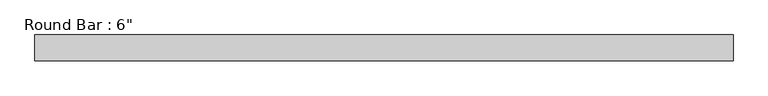
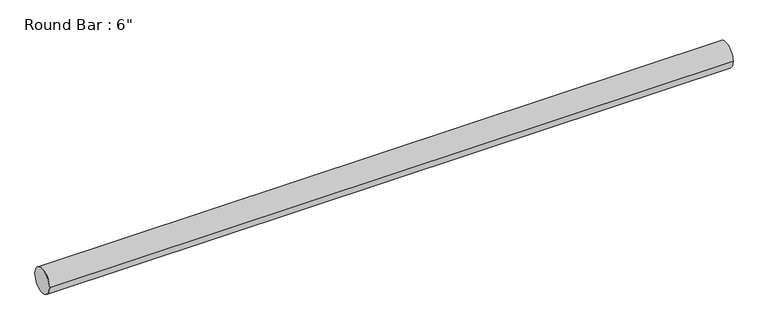
"""IFC4 building model written with IfcOpenShell, lengths in millimetres: beam geometry."""

from ifc_helpers import new_model, si_unit, point, frame, origin, origin_2d, place, context, project, spatial, circle_curve, trimmed, segment, composite_curve, outline, extrude, source, transform, mapped, element, save


def beam_977d1962(model_context):
    return source(origin(), model_context, "Body", "SweptSolid", [
        extrude(outline(composite_curve([segment(trimmed(circle_curve(origin_2d(), 76.2), [point((76.2, 0.0))], [point((-76.2, 0.0))], False, "CARTESIAN"), True, "CONTINUOUS"), segment(trimmed(circle_curve(origin_2d(), 76.2), [point((-76.2, 0.0))], [point((76.2, 0.0))], False, "CARTESIAN"), True, "CONTINUOUS")], self_intersect=False)), frame((-2110.0980036, 0.0, 0.0), z_axis=(1.0, 0.0, 0.0), x_axis=(0.0, 1.0, 0.0)), (0.0, 0.0, 1.0), 4121.6887307),
    ])


if __name__ == "__main__":
    model = new_model("IFC4")
    model_context = context("Model", 3, world=origin())
    ifc_project = project(units=[si_unit("LENGTHUNIT", "METRE", prefix="MILLI")], contexts=[model_context])
    site = spatial("IfcSite", under=ifc_project)
    building = spatial("IfcBuilding", under=site)
    placement = place(None, origin())
    beam_shape = beam_977d1962(model_context)
    element("IfcBeam", 1, ObjectType="Round Bar : 6\"", at=placement, inside=building, context=model_context, shape_type="MappedRepresentation", body=[
        mapped(beam_shape, transform((0.0, 0.0, 0.0), x_axis=(1.0, 0.0, 0.0), y_axis=(0.0, 1.0, 0.0), z_axis=(0.0, 0.0, 1.0))),
    ])
    save(model, "model.ifc")
